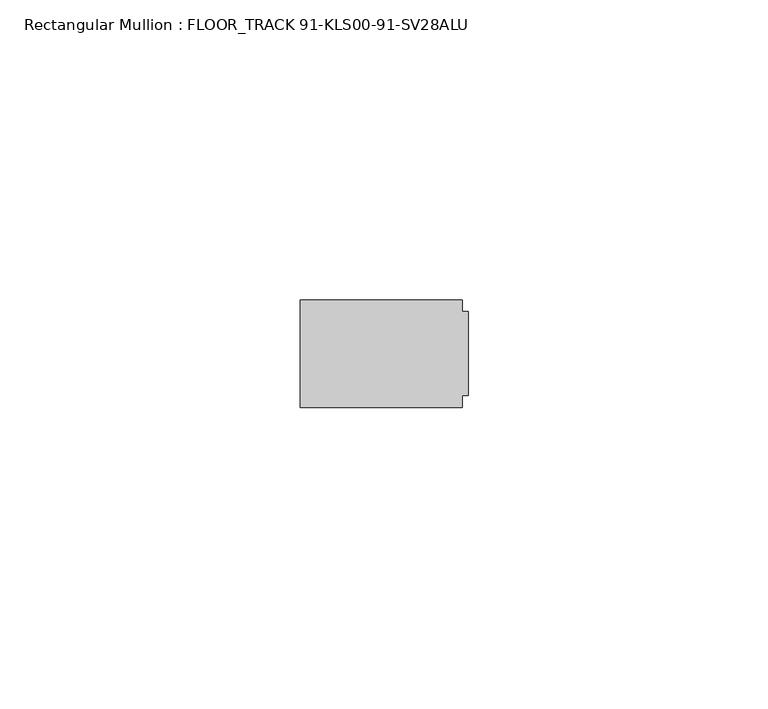
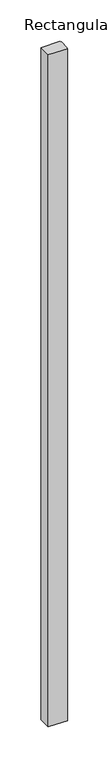
"""IFC4 building model written with IfcOpenShell, lengths in millimetres: member geometry, Rectangular Mullion : FLOOR_TRACK 91-KLS00-91-SV28ALU."""

from ifc_helpers import new_model, si_unit, frame, origin, place, context, project, spatial, polyline, outline, extrude, source, transform, mapped, element, save


def rectangular_mullion_floor_track_91_kls00_91_sv28alu_d2b7c7e1(model_context):
    return source(origin(), model_context, "Body", "SweptSolid", [
        extrude(outline(polyline([(-1.0, 9.0), (-1.0, 7.0), (0.0, 7.0), (0.0, -7.0), (-1.0, -7.0), (-1.0, -9.0), (-28.0, -9.0), (-28.0, 9.0), (-1.0, 9.0)])), frame((0.0, 0.0, -1000.0), z_axis=(0.0, 0.0, 1.0), x_axis=(1.0, 0.0, 0.0)), (0.0, 0.0, 1.0), 1000.0),
    ])


if __name__ == "__main__":
    model = new_model("IFC4")
    model_context = context("Model", 3, world=origin())
    ifc_project = project(units=[si_unit("LENGTHUNIT", "METRE", prefix="MILLI")], contexts=[model_context])
    site = spatial("IfcSite", under=ifc_project)
    building = spatial("IfcBuilding", under=site)
    placement = place(None, origin())
    rectangular_mullion_floor_track_91_kls00_91_sv28alu_shape = rectangular_mullion_floor_track_91_kls00_91_sv28alu_d2b7c7e1(model_context)
    element("IfcMember", 1, ObjectType="Rectangular Mullion : FLOOR_TRACK 91-KLS00-91-SV28ALU", at=placement, inside=building, context=model_context, shape_type="MappedRepresentation", body=[
        mapped(rectangular_mullion_floor_track_91_kls00_91_sv28alu_shape, transform((0.0, 0.0, 0.0), x_axis=(1.0, 0.0, 0.0), y_axis=(0.0, 1.0, 0.0), z_axis=(0.0, 0.0, 1.0))),
    ])
    save(model, "model.ifc")
